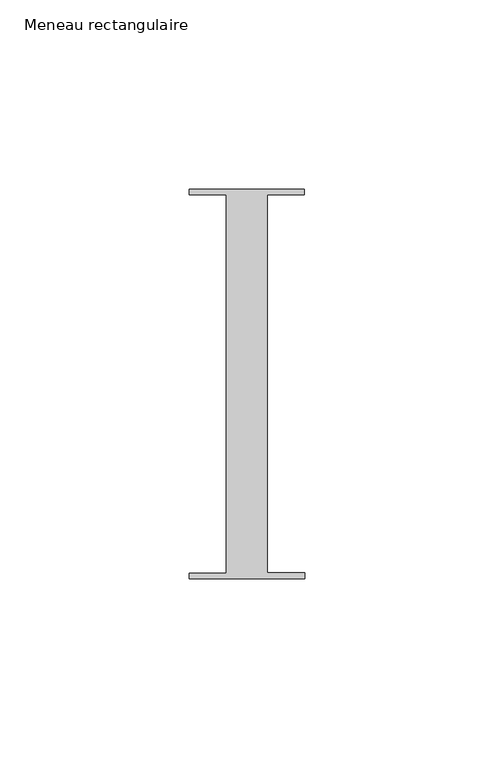
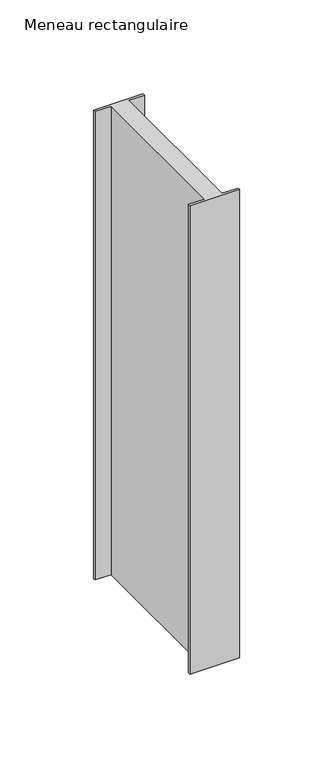
"""IFC4 building model written with IfcOpenShell, lengths in millimetres: member geometry, Meneau rectangulaire."""

from ifc_helpers import new_model, si_unit, frame, origin, place, context, project, spatial, polyline, outline, extrude, source, transform, mapped, element, save


def meneau_rectangulaire_4cc1bcd0(model_context):
    return source(origin(), model_context, "Body", "SweptSolid", [
        extrude(outline(polyline([(15.1919193, 51.5152664), (15.1934333, 50.0054494), (5.4028486, 50.0054494), (5.4028486, -49.9846825), (15.2937013, -49.9846825), (15.2952055, -51.4846817), (-15.2047792, -51.5152664), (-15.2062834, -50.0152672), (-5.4194144, -50.0152672), (-5.4194144, 49.9942223), (-15.3065707, 49.9942223), (-15.3080653, 51.4846817), (15.1919193, 51.5152664)])), frame((0.0, 0.0, -305.3555092), z_axis=(0.0, 0.0, 1.0), x_axis=(1.0, 0.0, 0.0)), (0.0, 0.0, 1.0), 305.3555092),
    ])


if __name__ == "__main__":
    model = new_model("IFC4")
    model_context = context("Model", 3, world=origin())
    ifc_project = project(units=[si_unit("LENGTHUNIT", "METRE", prefix="MILLI")], contexts=[model_context])
    site = spatial("IfcSite", under=ifc_project)
    building = spatial("IfcBuilding", under=site)
    placement = place(None, origin())
    meneau_rectangulaire_shape = meneau_rectangulaire_4cc1bcd0(model_context)
    element("IfcMember", 1, ObjectType="Meneau rectangulaire", at=placement, inside=building, context=model_context, shape_type="MappedRepresentation", body=[
        mapped(meneau_rectangulaire_shape, transform((0.0, 0.0, 0.0), x_axis=(1.0, 0.0, 0.0), y_axis=(0.0, 1.0, 0.0), z_axis=(0.0, 0.0, 1.0))),
    ])
    save(model, "model.ifc")
